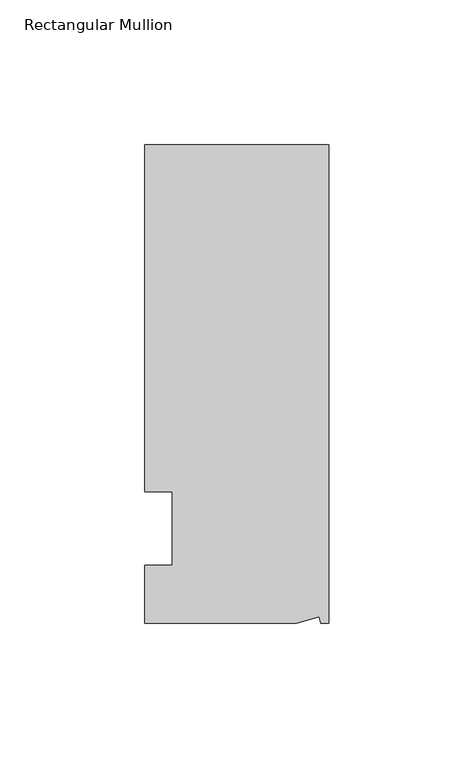
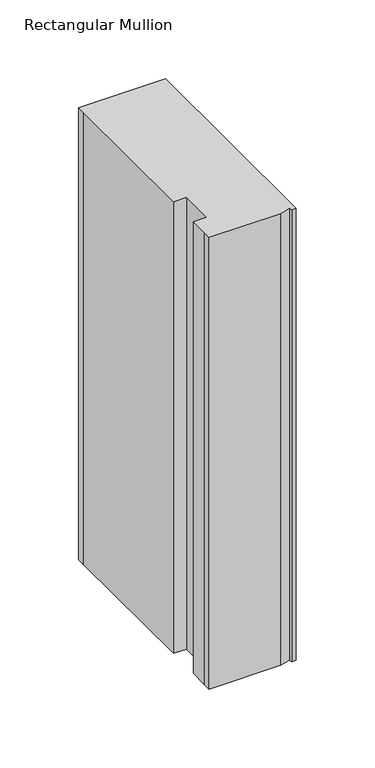
"""IFC4 building model written with IfcOpenShell, lengths in millimetres: member geometry, Rectangular Mullion."""

from ifc_helpers import new_model, si_unit, frame, origin, place, context, project, spatial, polyline, outline, extrude, source, transform, mapped, element, save


def rectangular_mullion_3dcd0926(model_context):
    return source(origin(), model_context, "Body", "SweptSolid", [
        extrude(outline(polyline([(0.0, 132.5561012), (0.0, -32.5438988), (-2.7616541, -32.5438988), (-3.3341886, -30.4622958), (-11.121847, -32.5438988), (-63.5, -32.5438988), (-63.5, -26.1938988), (-63.5, -12.5945801), (-53.975, -12.5945801), (-53.975, 12.8054199), (-63.5, 12.8054199), (-63.5, 126.2061012), (-63.5, 132.5561012), (0.0, 132.5561012)])), frame((0.0, 0.0, -349.25), z_axis=(0.0, 0.0, 1.0), x_axis=(1.0, 0.0, 0.0)), (0.0, 0.0, 1.0), 349.25),
    ])


if __name__ == "__main__":
    model = new_model("IFC4")
    model_context = context("Model", 3, world=origin())
    ifc_project = project(units=[si_unit("LENGTHUNIT", "METRE", prefix="MILLI")], contexts=[model_context])
    site = spatial("IfcSite", under=ifc_project)
    building = spatial("IfcBuilding", under=site)
    placement = place(None, origin())
    rectangular_mullion_shape = rectangular_mullion_3dcd0926(model_context)
    element("IfcMember", 1, ObjectType="Rectangular Mullion", at=placement, inside=building, context=model_context, shape_type="MappedRepresentation", body=[
        mapped(rectangular_mullion_shape, transform((0.0, 0.0, 0.0), x_axis=(1.0, 0.0, 0.0), y_axis=(0.0, 1.0, 0.0), z_axis=(0.0, 0.0, 1.0))),
    ])
    save(model, "model.ifc")
